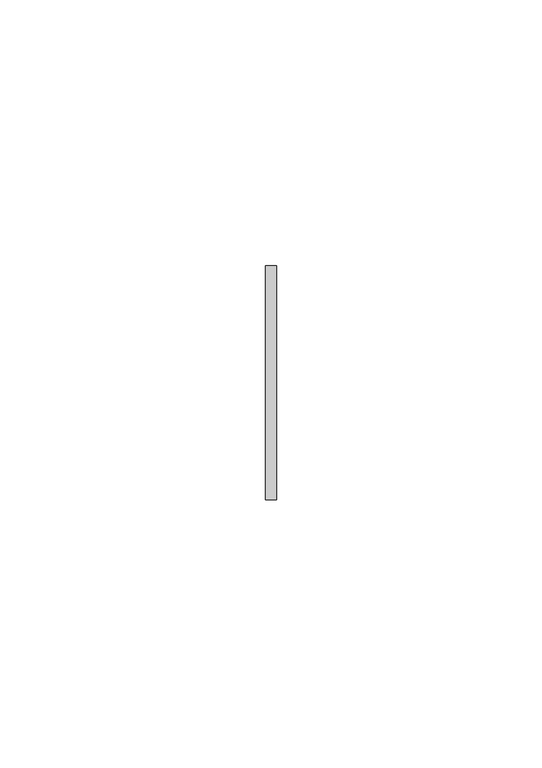
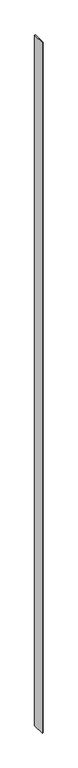
"""IFC4 building model written with IfcOpenShell, lengths in millimetres: member geometry."""

from ifc_helpers import new_model, si_unit, frame, origin, place, context, project, spatial, polyline, outline, extrude, source, transform, mapped, element, save


def member_1787823b(model_context):
    return source(origin(), model_context, "Body", "SweptSolid", [
        extrude(outline(polyline([(1.0, 22.0), (1.0, -22.0), (-1.0, -22.0), (-1.0, 22.0), (1.0, 22.0)])), frame((0.0, 0.0, -2439.0), z_axis=(0.0, 0.0, 1.0), x_axis=(1.0, 0.0, 0.0)), (0.0, 0.0, 1.0), 2439.0),
    ])


if __name__ == "__main__":
    model = new_model("IFC4")
    model_context = context("Model", 3, world=origin())
    ifc_project = project(units=[si_unit("LENGTHUNIT", "METRE", prefix="MILLI")], contexts=[model_context])
    site = spatial("IfcSite", under=ifc_project)
    building = spatial("IfcBuilding", under=site)
    placement = place(None, origin())
    member_shape = member_1787823b(model_context)
    element("IfcMember", 1, at=placement, inside=building, context=model_context, shape_type="MappedRepresentation", body=[
        mapped(member_shape, transform((0.0, 0.0, 0.0), x_axis=(1.0, 0.0, 0.0), y_axis=(0.0, 1.0, 0.0), z_axis=(0.0, 0.0, 1.0))),
    ])
    save(model, "model.ifc")
